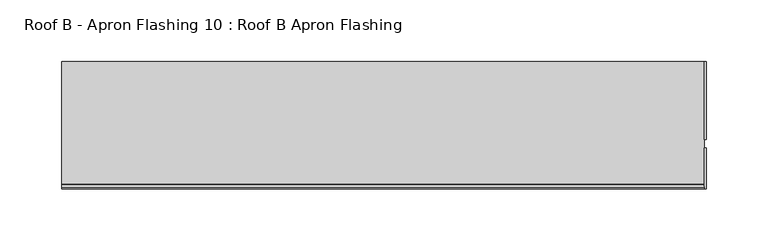
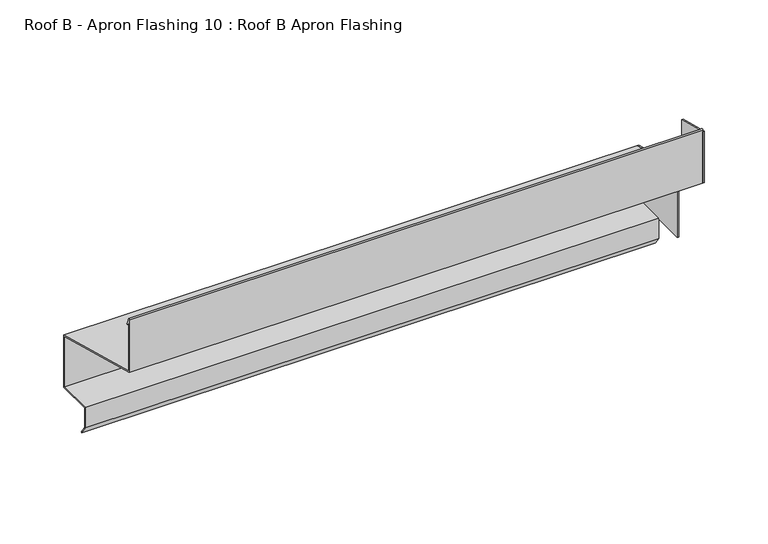
"""IFC4 building model written with IfcOpenShell, lengths in millimetres: proxy geometry, Roof B - Apron Flashing 10 : Roof B Apron Flashing."""

from ifc_helpers import new_model, si_unit, point, frame, frame_2d, origin, place, context, project, spatial, polyline, circle_curve, trimmed, segment, composite_curve, outline, extrude, source, transform, mapped, element, save


def roof_b_apron_flashing_10_roof_b_apron_flashing_5b3b50fc(model_context):
    return source(origin(), model_context, "Body", "SweptSolid", [
        extrude(outline(polyline([(660.2773132, -392.0096237), (597.4023812, -392.0096237), (597.4023812, -325.1623365), (660.2773132, -342.0096237), (660.2773132, -392.0096237)])), frame((9686.0219031, 0.0, 0.0), z_axis=(1.0, 0.0, 0.0), x_axis=(0.0, 1.0, 0.0)), (0.0, 0.0, 1.0), 1.3240587),
        extrude(outline(polyline([(590.4882944, -275.0770395), (590.4882944, -324.3449887), (557.4043312, -315.4801674), (557.4043312, -266.2122183), (590.4882944, -275.0770395)])), frame((9686.0219031, 0.0, 0.0), z_axis=(1.0, 0.0, 0.0), x_axis=(0.0, 1.0, 0.0)), (0.0, 0.0, 1.0), 1.3240587),
        extrude(outline(composite_curve([segment(polyline([(660.2773132, -342.0096237), (660.2773132, -392.0096237), (627.6739483, -392.0096237), (627.6739483, -410.3959053), (632.884848, -417.8378413), (632.065696, -418.4114178), (626.6739483, -410.7112041), (626.6739483, -391.0096237), (659.2773132, -391.0096237), (659.2773132, -342.7769507), (557.4043312, -315.4801674), (557.4043312, -264.8977528)]), True, "CONTINUOUS"), segment(trimmed(circle_curve(frame_2d((558.0833754, -264.8977528)), 0.6790442), [point((557.4043312, -264.8977528))], [point((558.7129742, -264.6433784))], False, "CARTESIAN"), True, "CONTINUOUS"), segment(polyline([(558.7129742, -264.6433784), (561.1274291, -270.6193639)]), True, "CONTINUOUS"), segment(trimmed(circle_curve(frame_2d((560.6638371, -270.8066672)), 0.5), [point((561.1274291, -270.6193639))], [point((560.2002452, -270.9939705))], False, "CARTESIAN"), True, "CONTINUOUS"), segment(polyline([(560.2002452, -270.9939705), (558.4043312, -266.5489273), (558.4043312, -314.7128405), (660.2773132, -342.0096237)]), True, "CONTINUOUS")], self_intersect=False)), frame((9166.9913177, 0.0, 0.0), z_axis=(1.0, 0.0, 0.0), x_axis=(0.0, 1.0, 0.0)), (0.0, 0.0, 1.0), 519.0305854),
    ])


if __name__ == "__main__":
    model = new_model("IFC4")
    model_context = context("Model", 3, world=origin())
    ifc_project = project(units=[si_unit("LENGTHUNIT", "METRE", prefix="MILLI")], contexts=[model_context])
    site = spatial("IfcSite", under=ifc_project)
    building = spatial("IfcBuilding", under=site)
    placement = place(None, origin())
    roof_b_apron_flashing_10_roof_b_apron_flashing_shape = roof_b_apron_flashing_10_roof_b_apron_flashing_5b3b50fc(model_context)
    element("IfcBuildingElementProxy", 1, Name="Roof B - Apron Flashing 10 : Roof B Apron Flashing", ObjectType="Roof B - Apron Flashing 10 : Roof B Apron Flashing", at=placement, inside=building, context=model_context, shape_type="MappedRepresentation", body=[
        mapped(roof_b_apron_flashing_10_roof_b_apron_flashing_shape, transform((0.0, 0.0, 0.0), x_axis=(1.0, 0.0, 0.0), y_axis=(0.0, 1.0, 0.0), z_axis=(0.0, 0.0, 1.0))),
    ])
    save(model, "model.ifc")
